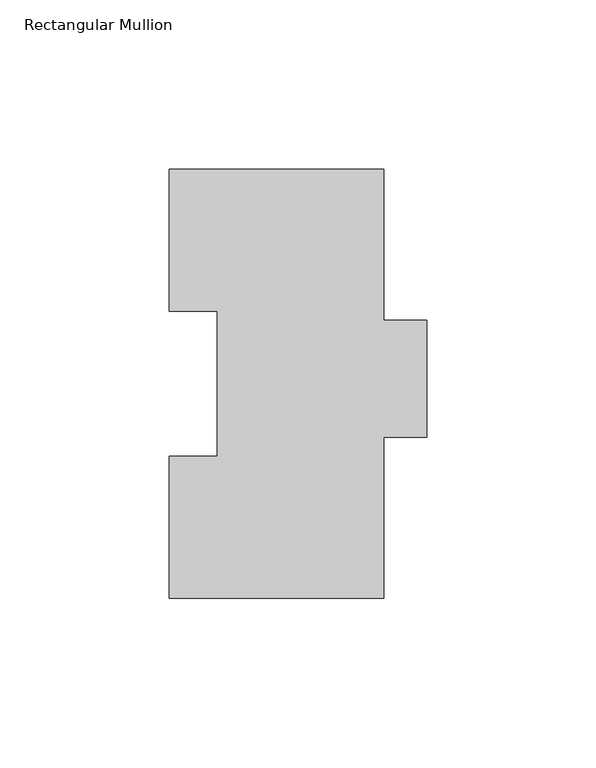
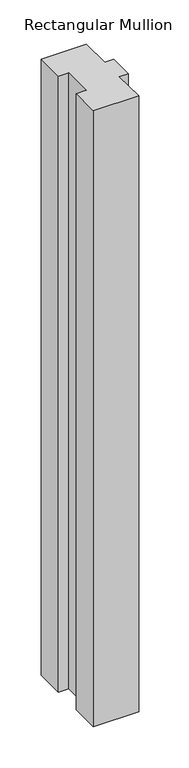
"""IFC4 building model written with IfcOpenShell, lengths in millimetres: member geometry, Rectangular Mullion."""

from ifc_helpers import new_model, si_unit, frame, origin, place, context, project, spatial, polyline, outline, extrude, source, transform, mapped, element, save


def rectangular_mullion_454d263d(model_context):
    return source(origin(), model_context, "Body", "SweptSolid", [
        extrude(outline(polyline([(31.75, 127.00635), (31.75, 82.30235), (44.4497287, 82.30235), (44.4497287, 47.63135), (31.75, 47.63135), (31.75, 0.00635), (-31.7497287, 0.00635), (-31.7497287, 42.08145), (-17.4622287, 42.08145), (-17.4622287, 84.93125), (-31.7502713, 84.93125), (-31.7502713, 127.00635), (31.75, 127.00635)])), frame((0.0, 0.0, -914.4), z_axis=(0.0, 0.0, 1.0), x_axis=(1.0, 0.0, 0.0)), (0.0, 0.0, 1.0), 914.4),
    ])


if __name__ == "__main__":
    model = new_model("IFC4")
    model_context = context("Model", 3, world=origin())
    ifc_project = project(units=[si_unit("LENGTHUNIT", "METRE", prefix="MILLI")], contexts=[model_context])
    site = spatial("IfcSite", under=ifc_project)
    building = spatial("IfcBuilding", under=site)
    placement = place(None, origin())
    rectangular_mullion_shape = rectangular_mullion_454d263d(model_context)
    element("IfcMember", 1, ObjectType="Rectangular Mullion", at=placement, inside=building, context=model_context, shape_type="MappedRepresentation", body=[
        mapped(rectangular_mullion_shape, transform((0.0, 0.0, 0.0), x_axis=(1.0, 0.0, 0.0), y_axis=(0.0, 1.0, 0.0), z_axis=(0.0, 0.0, 1.0))),
    ])
    save(model, "model.ifc")
